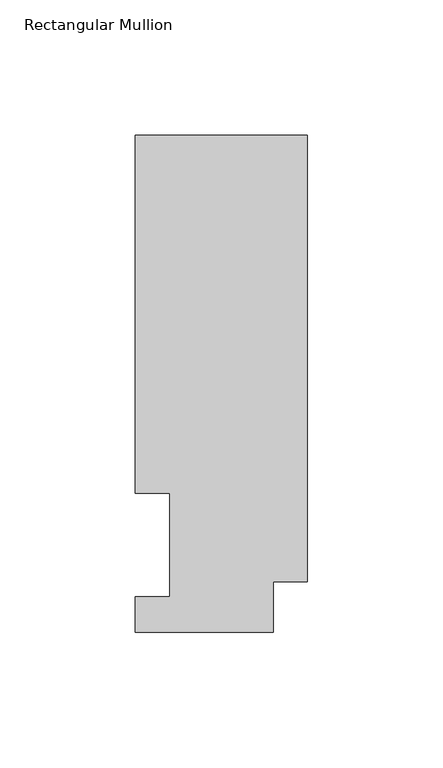
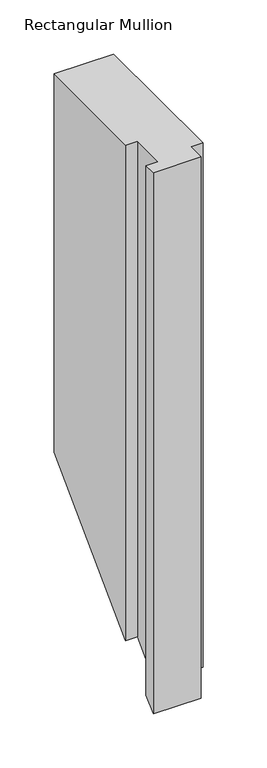
"""IFC4 building model written with IfcOpenShell, lengths in millimetres: member geometry, Rectangular Mullion."""

from ifc_helpers import new_model, si_unit, origin, place, context, project, spatial, faceted_brep, source, transform, mapped, element, save


def rectangular_mullion_b115eef9(model_context):
    return source(origin(), model_context, "Body", "Brep", [
        faceted_brep([(0.0, 183.4446737, 0.0), (-63.5, 183.4446737, 0.0), (-63.5, 51.2960937, 0.0), (-50.8, 51.2960937, 0.0), (-50.8, 13.1960937, 0.0), (-63.5, 13.1960937, 0.0), (-63.5, 0.0134937, 0.0), (-12.7, 0.0134937, 0.0), (-12.7, 18.7332937, 0.0), (0.0, 18.7332937, 0.0), (0.0, 183.4446737, -426.1553263), (-63.5, 183.4446737, -426.1553263), (-63.5, 51.2960938, -558.3039063), (-50.8, 51.2960937, -558.3039063), (-50.8, 13.1960937, -596.4039063), (-63.5, 13.1960937, -596.4039063), (-63.5, 0.0134937, -609.5865063), (-12.7, 0.0134937, -609.5865063), (-12.7, 18.7332937, -590.8667063), (0.0, 18.7332937, -590.8667063)], [[[0, 1, 2, 3, 4, 5, 6, 7, 8, 9]], [[1, 0, 10, 11]], [[2, 1, 11, 12]], [[3, 2, 12, 13]], [[4, 3, 13, 14]], [[5, 4, 14, 15]], [[6, 5, 15, 16]], [[7, 6, 16, 17]], [[8, 7, 17, 18]], [[9, 8, 18, 19]], [[0, 9, 19, 10]], [[10, 19, 18, 17, 16, 15, 14, 13, 12, 11]]]),
    ])


if __name__ == "__main__":
    model = new_model("IFC4")
    model_context = context("Model", 3, world=origin())
    ifc_project = project(units=[si_unit("LENGTHUNIT", "METRE", prefix="MILLI")], contexts=[model_context])
    site = spatial("IfcSite", under=ifc_project)
    building = spatial("IfcBuilding", under=site)
    placement = place(None, origin())
    rectangular_mullion_shape = rectangular_mullion_b115eef9(model_context)
    element("IfcMember", 1, ObjectType="Rectangular Mullion", at=placement, inside=building, context=model_context, shape_type="MappedRepresentation", body=[
        mapped(rectangular_mullion_shape, transform((0.0, 0.0, 0.0), x_axis=(1.0, 0.0, 0.0), y_axis=(0.0, 1.0, 0.0), z_axis=(0.0, 0.0, 1.0))),
    ])
    save(model, "model.ifc")
